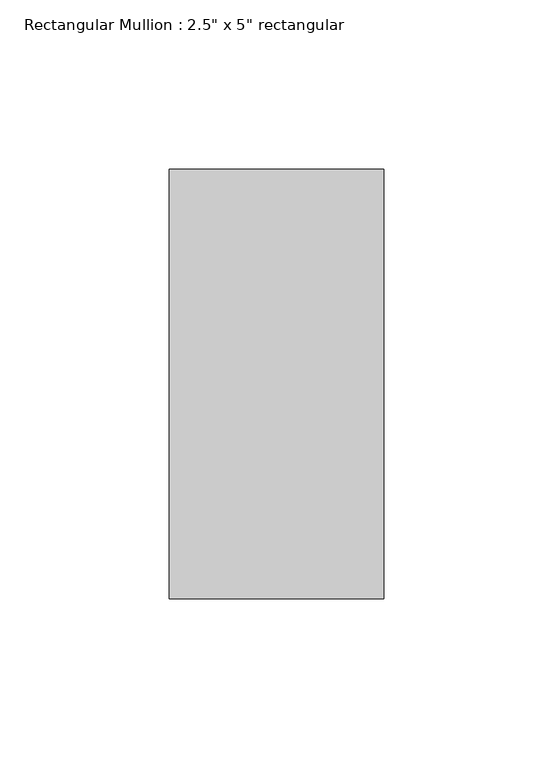
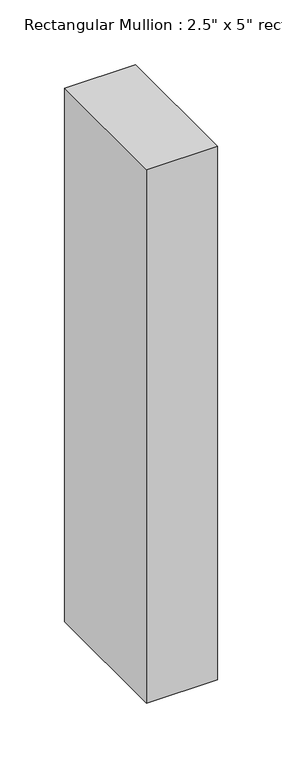
"""IFC4 building model written with IfcOpenShell, lengths in millimetres: member geometry."""

from ifc_helpers import new_model, si_unit, frame, origin, place, context, project, spatial, polyline, outline, extrude, source, transform, mapped, element, save


def member_cb3dddf6(model_context):
    return source(origin(), model_context, "Body", "SweptSolid", [
        extrude(outline(polyline([(31.75, 63.5), (31.75, -63.5), (-31.75, -63.5), (-31.75, 63.5), (31.75, 63.5)])), frame((0.0, 0.0, -504.75), z_axis=(0.0, 0.0, 1.0), x_axis=(1.0, 0.0, 0.0)), (0.0, 0.0, 1.0), 504.75),
    ])


if __name__ == "__main__":
    model = new_model("IFC4")
    model_context = context("Model", 3, world=origin())
    ifc_project = project(units=[si_unit("LENGTHUNIT", "METRE", prefix="MILLI")], contexts=[model_context])
    site = spatial("IfcSite", under=ifc_project)
    building = spatial("IfcBuilding", under=site)
    placement = place(None, origin())
    member_shape = member_cb3dddf6(model_context)
    element("IfcMember", 1, ObjectType="Rectangular Mullion : 2.5\" x 5\" rectangular", at=placement, inside=building, context=model_context, shape_type="MappedRepresentation", body=[
        mapped(member_shape, transform((0.0, 0.0, 0.0), x_axis=(1.0, 0.0, 0.0), y_axis=(0.0, 1.0, 0.0), z_axis=(0.0, 0.0, 1.0))),
    ])
    save(model, "model.ifc")
